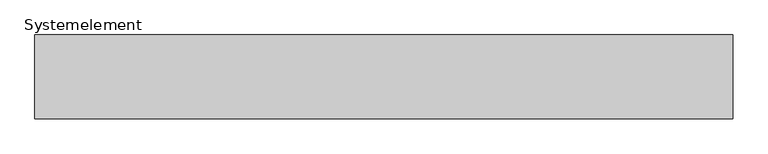
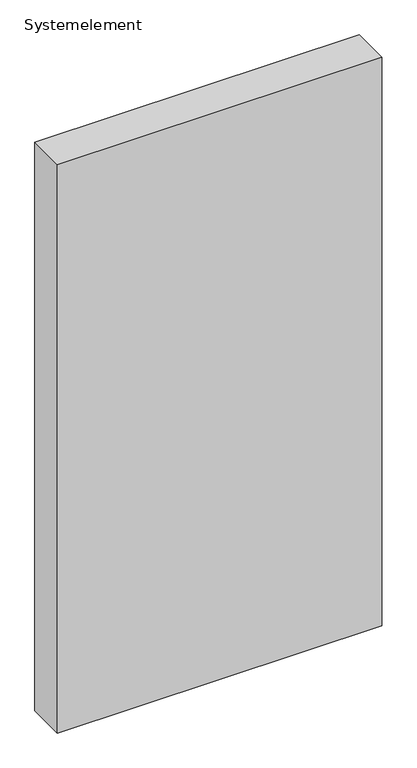
"""IFC4 building model written with IfcOpenShell, lengths in millimetres: plate geometry, Systemelement."""

from ifc_helpers import new_model, si_unit, origin, origin_with_axes, place, context, project, spatial, polyline, outline, extrude, source, transform, mapped, element, save


def systemelement_d5f9371b(model_context):
    return source(origin(), model_context, "Body", "SweptSolid", [
        extrude(outline(polyline([(500.0, -120.0), (-500.0, -120.0), (-500.0, 0.0), (500.0, 0.0), (500.0, -120.0)])), origin_with_axes(), (0.0, 0.0, 1.0), 1851.6147161),
    ])


if __name__ == "__main__":
    model = new_model("IFC4")
    model_context = context("Model", 3, world=origin())
    ifc_project = project(units=[si_unit("LENGTHUNIT", "METRE", prefix="MILLI")], contexts=[model_context])
    site = spatial("IfcSite", under=ifc_project)
    building = spatial("IfcBuilding", under=site)
    placement = place(None, origin())
    systemelement_shape = systemelement_d5f9371b(model_context)
    element("IfcPlate", 1, ObjectType="Systemelement", at=placement, inside=building, context=model_context, shape_type="MappedRepresentation", body=[
        mapped(systemelement_shape, transform((0.0, 0.0, 0.0), x_axis=(1.0, 0.0, 0.0), y_axis=(0.0, 1.0, 0.0), z_axis=(0.0, 0.0, 1.0))),
    ])
    save(model, "model.ifc")
